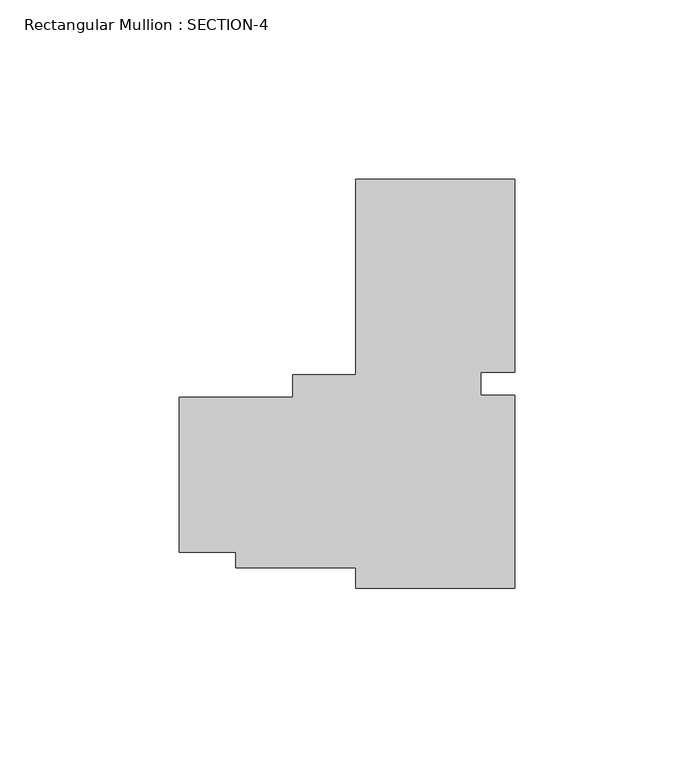
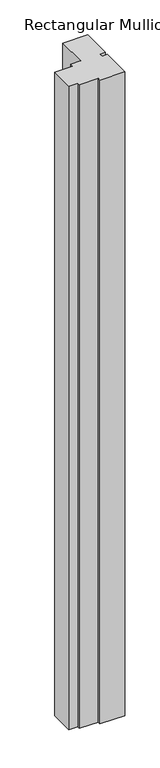
"""IFC4 building model written with IfcOpenShell, lengths in millimetres: member geometry, Rectangular Mullion : SECTION-4."""

from ifc_helpers import new_model, si_unit, frame, origin, place, context, project, spatial, polyline, outline, extrude, source, transform, mapped, element, save


def rectangular_mullion_section_4_5b86ec9c(model_context):
    return source(origin(), model_context, "Body", "SweptSolid", [
        extrude(outline(polyline([(-21.88718, 59.7140136), (22.56282, 59.7140136), (22.56282, 5.7533182), (13.03782, 5.7533182), (13.03782, -0.6869202), (22.56282, -0.6869202), (22.56282, -54.5859864), (-21.88718, -54.5859864), (-21.88718, -48.9298626), (-55.3369111, -48.9298626), (-55.3369111, -44.4785761), (-71.2119111, -44.4785761), (-71.2119111, -1.3048626), (-39.4587859, -1.3048626), (-39.4587859, 5.0455736), (-21.88718, 5.0455736), (-21.88718, 59.7140136)])), frame((0.0, 0.0, -1207.3586165), z_axis=(0.0, 0.0, 1.0), x_axis=(1.0, 0.0, 0.0)), (0.0, 0.0, 1.0), 1207.3586165),
    ])


if __name__ == "__main__":
    model = new_model("IFC4")
    model_context = context("Model", 3, world=origin())
    ifc_project = project(units=[si_unit("LENGTHUNIT", "METRE", prefix="MILLI")], contexts=[model_context])
    site = spatial("IfcSite", under=ifc_project)
    building = spatial("IfcBuilding", under=site)
    placement = place(None, origin())
    rectangular_mullion_section_4_shape = rectangular_mullion_section_4_5b86ec9c(model_context)
    element("IfcMember", 1, ObjectType="Rectangular Mullion : SECTION-4", at=placement, inside=building, context=model_context, shape_type="MappedRepresentation", body=[
        mapped(rectangular_mullion_section_4_shape, transform((0.0, 0.0, 0.0), x_axis=(1.0, 0.0, 0.0), y_axis=(0.0, 1.0, 0.0), z_axis=(0.0, 0.0, 1.0))),
    ])
    save(model, "model.ifc")
